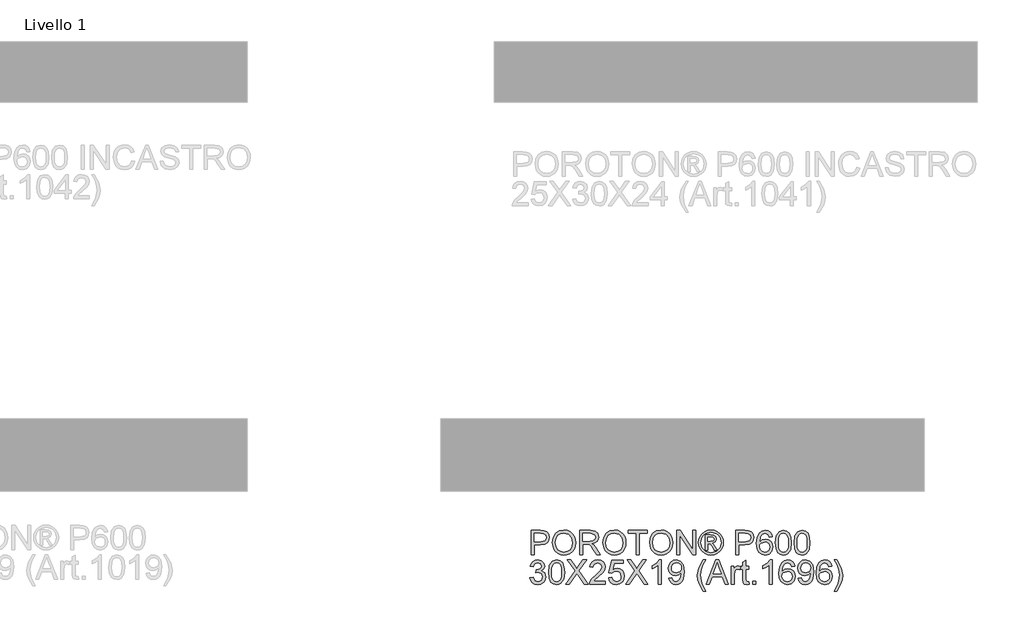
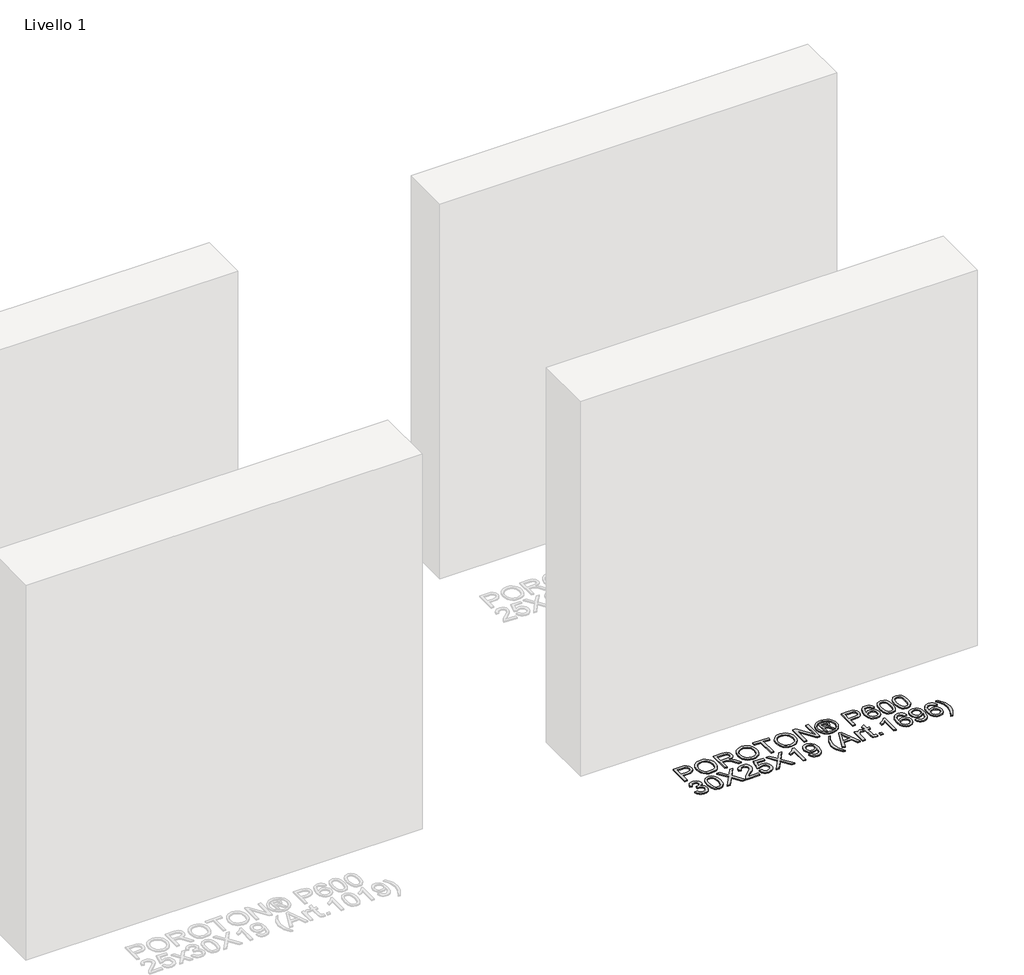
# One storey, part 10 of 11: 1 proxy.
"""IFC4 building model written with IfcOpenShell, lengths in millimetres."""

from ifc_helpers import new_model, si_unit, origin, origin_with_axes, place, context, project, spatial, polyline, outline, extrude, element, save

model = new_model("IFC4")

# Units and contexts
model_context = context("Model", 3, world=origin())
ifc_project = project(units=[si_unit("LENGTHUNIT", "METRE", prefix="MILLI")], contexts=[model_context])

# Site, building, storey
site = spatial("IfcSite", under=ifc_project)
building = spatial("IfcBuilding", under=site)
storey = spatial("IfcBuildingStorey", under=building, Name="Livello 1", Elevation=0.0)

# Proxy
placement = place(None, origin())
element("IfcBuildingElementProxy", 1, Name="100", ObjectType="100", at=placement, inside=storey, context=model_context, shape_type="SweptSolid", body=[
    extrude(outline(polyline([(3869.1844497, 876.8304313), (3869.1844497, 977.2867415), (3906.4141077, 977.2867415), (3921.4236931, 976.3302483), (3933.6251126, 971.6336215), (3941.5345755, 961.9215368), (3944.5266824, 948.2240639), (3942.5063971, 936.384395), (3936.4455412, 926.5190262), (3925.1117101, 919.860362), (3907.272499, 917.6408073), (3881.7414885, 917.6408073), (3881.7414885, 876.8304313), (3869.1844497, 876.8304313)]), holes=[polyline([(3881.7414885, 930.1978461), (3908.008263, 930.1978461), (3926.5004646, 934.8086338), (3930.6023488, 940.3575205), (3931.9696436, 947.7826055), (3928.7445448, 958.1814032), (3920.2709961, 963.8713114), (3907.7139574, 964.7297027), (3881.7414885, 964.7297027), (3881.7414885, 930.1978461)])]), origin_with_axes(), (0.0, 0.0, 1.0), 5.0),
    extrude(outline(polyline([(3957.0837211, 925.7342112), (3960.4314473, 947.9481524), (3970.4746257, 964.7542282), (3985.8091736, 975.3308355), (4005.0310078, 978.8563713), (4018.2073146, 977.2009024), (4030.022458, 972.2344954), (4039.8326446, 964.3066384), (4046.9940807, 953.7668193), (4051.3718765, 941.1239414), (4052.8311417, 926.8869081), (4051.2952344, 912.4598026), (4046.6875124, 899.639115), (4039.2624275, 889.0809018), (4029.2744313, 881.441219), (4017.5604554, 876.8059059), (4004.9574314, 875.2608015), (3991.5787895, 876.9683871), (3979.6962011, 882.0911439), (3969.91054, 890.1661537), (3962.8226802, 900.7304983), (3957.0837211, 925.7342112)]), holes=[polyline([(3969.6407599, 925.6115839), (3972.1515545, 909.8968913), (3979.6839384, 897.9223324), (3991.0055068, 890.3439633), (4004.883855, 887.8178403), (4018.9645384, 890.3684888), (4030.3045009, 898.0204343), (4037.7817024, 910.3628752), (4040.274103, 926.98501), (4036.0066718, 947.7090291), (4023.5354722, 961.4310275), (4005.1045842, 966.2993326), (3991.5971836, 963.9540848), (3980.113134, 956.9183417), (3972.2588534, 944.4011568), (3969.6407599, 925.6115839)])]), origin_with_axes(), (0.0, 0.0, 1.0), 5.0),
    extrude(outline(polyline([(4070.09707, 876.8304313), (4070.09707, 977.2867415), (4113.3845181, 977.2867415), (4133.4831378, 974.5766775), (4144.4705467, 964.9872201), (4148.5785623, 949.7936937), (4146.8771081, 939.897668), (4141.7727454, 931.6938996), (4133.1121901, 925.6790289), (4120.742158, 922.3496969), (4127.8790688, 916.9786197), (4138.0571373, 904.053699), (4154.8080308, 876.8304313), (4140.2153783, 876.8304313), (4127.1433048, 897.6525523), (4117.7010002, 911.4358644), (4111.0668616, 917.9473757), (4105.0949105, 920.3386086), (4097.810847, 920.780067), (4082.6541088, 920.780067), (4082.6541088, 876.8304313), (4070.09707, 876.8304313)]), holes=[polyline([(4082.6541088, 933.3371058), (4110.7602932, 933.3371058), (4125.0954283, 935.1152021), (4133.2378831, 940.8051103), (4136.0215236, 949.3277099), (4130.7117601, 960.3886952), (4113.9240784, 964.7297027), (4082.6541088, 964.7297027), (4082.6541088, 933.3371058)])]), origin_with_axes(), (0.0, 0.0, 1.0), 5.0),
    extrude(outline(polyline([(4165.8444907, 925.7342112), (4169.1922168, 947.9481524), (4179.2353953, 964.7542282), (4194.5699431, 975.3308355), (4213.7917774, 978.8563713), (4226.9680842, 977.2009024), (4238.7832276, 972.2344954), (4248.5934141, 964.3066384), (4255.7548503, 953.7668193), (4260.132646, 941.1239414), (4261.5919113, 926.8869081), (4260.0560039, 912.4598026), (4255.4482819, 899.639115), (4248.023197, 889.0809018), (4238.0352008, 881.441219), (4226.321225, 876.8059059), (4213.718201, 875.2608015), (4200.3395591, 876.9683871), (4188.4569706, 882.0911439), (4178.6713096, 890.1661537), (4171.5834498, 900.7304983), (4165.8444907, 925.7342112)]), holes=[polyline([(4178.4015294, 925.6115839), (4180.912324, 909.8968913), (4188.4447079, 897.9223324), (4199.7662763, 890.3439633), (4213.6446246, 887.8178403), (4227.7253079, 890.3684888), (4239.0652704, 898.0204343), (4246.542472, 910.3628752), (4249.0348725, 926.98501), (4244.7674414, 947.7090291), (4232.2962417, 961.4310275), (4213.8653538, 966.2993326), (4200.3579532, 963.9540848), (4188.8739036, 956.9183417), (4181.019623, 944.4011568), (4178.4015294, 925.6115839)])]), origin_with_axes(), (0.0, 0.0, 1.0), 5.0),
    extrude(outline(polyline([(4303.9719171, 876.8304313), (4303.9719171, 964.7297027), (4271.0096903, 964.7297027), (4271.0096903, 977.2867415), (4349.4911826, 977.2867415), (4349.4911826, 964.7297027), (4316.5289559, 964.7297027), (4316.5289559, 876.8304313), (4303.9719171, 876.8304313)])), origin_with_axes(), (0.0, 0.0, 1.0), 5.0),
    extrude(outline(polyline([(4358.9089617, 925.7342112), (4362.2566879, 947.9481524), (4372.2998663, 964.7542282), (4387.6344142, 975.3308355), (4406.8562484, 978.8563713), (4420.0325552, 977.2009024), (4431.8476986, 972.2344954), (4441.6578852, 964.3066384), (4448.8193213, 953.7668193), (4453.1971171, 941.1239414), (4454.6563823, 926.8869081), (4453.120475, 912.4598026), (4448.512753, 899.639115), (4441.0876681, 889.0809018), (4431.0996719, 881.441219), (4419.385696, 876.8059059), (4406.782672, 875.2608015), (4393.4040301, 876.9683871), (4381.5214417, 882.0911439), (4371.7357806, 890.1661537), (4364.6479208, 900.7304983), (4358.9089617, 925.7342112)]), holes=[polyline([(4371.4660005, 925.6115839), (4373.9767951, 909.8968913), (4381.509179, 897.9223324), (4392.8307474, 890.3439633), (4406.7090956, 887.8178403), (4420.789779, 890.3684888), (4432.1297415, 898.0204343), (4439.606943, 910.3628752), (4442.0993436, 926.98501), (4437.8319124, 947.7090291), (4425.3607128, 961.4310275), (4406.9298248, 966.2993326), (4393.4224242, 963.9540848), (4381.9383746, 956.9183417), (4374.084094, 944.4011568), (4371.4660005, 925.6115839)])]), origin_with_axes(), (0.0, 0.0, 1.0), 5.0),
    extrude(outline(polyline([(4471.9223106, 876.8304313), (4471.9223106, 977.2867415), (4485.3622662, 977.2867415), (4537.8467642, 897.7016032), (4537.8467642, 977.2867415), (4550.4038029, 977.2867415), (4550.4038029, 876.8304313), (4536.9638474, 876.8304313), (4484.4793494, 956.4400951), (4484.4793494, 876.8304313), (4471.9223106, 876.8304313)])), origin_with_axes(), (0.0, 0.0, 1.0), 5.0),
    extrude(outline(polyline([(4613.2135223, 978.8563713), (4626.1077862, 977.1825083), (4638.6954818, 972.160919), (4649.7534014, 964.0245956), (4658.0583375, 953.0065298), (4663.2546706, 940.2839441), (4664.9867817, 927.0340609), (4663.2791961, 913.9006737), (4658.1564393, 901.2823213), (4649.9526708, 890.3041094), (4639.0020501, 882.0911439), (4626.3928947, 876.9683871), (4613.2135223, 875.2608015), (4600.0525439, 876.9683871), (4587.4495199, 882.0911439), (4576.4897021, 890.3041094), (4568.2583424, 901.2823213), (4563.1079945, 913.9006737), (4561.3912119, 927.0340609), (4563.13252, 940.2839441), (4568.3564443, 953.0065298), (4576.6889715, 964.0245956), (4587.7560882, 972.160919), (4600.3376524, 977.1825083), (4613.2135223, 978.8563713)]), holes=[polyline([(4613.2135223, 969.4385923), (4592.3914013, 963.9571505), (4583.362964, 957.2954207), (4576.5356873, 948.2731148), (4570.8089909, 927.0340609), (4576.4253227, 905.9789481), (4592.1461467, 890.2949124), (4613.2135223, 884.6785806), (4634.2931606, 890.2949124), (4649.9771963, 905.9789481), (4655.5690026, 927.0340609), (4649.8790944, 948.2731148), (4643.0702118, 957.2954207), (4634.0233804, 963.9571505), (4613.2135223, 969.4385923)])]), origin_with_axes(), (0.0, 0.0, 1.0), 5.0),
    extrude(outline(polyline([(4589.6445491, 895.6659895), (4589.6445491, 958.4511833), (4609.9271098, 958.4511833), (4624.9857461, 956.722138), (4632.4046997, 950.6888732), (4635.1638146, 941.5286116), (4630.4058742, 929.6092349), (4617.7997845, 923.9193267), (4622.7048777, 920.5838633), (4631.2642655, 908.05135), (4638.3030743, 895.6659895), (4627.7080729, 895.6659895), (4622.1898429, 905.6233288), (4612.9437421, 920.044303), (4604.9239146, 922.3496969), (4599.0623282, 922.3496969), (4599.0623282, 895.6659895), (4589.6445491, 895.6659895)]), holes=[polyline([(4599.0623282, 931.767476), (4610.9817048, 931.767476), (4622.6313013, 934.1587089), (4625.7460356, 940.498542), (4624.2499821, 945.0602787), (4620.0929156, 948.0523856), (4610.2214154, 949.0334043), (4599.0623282, 949.0334043), (4599.0623282, 931.767476)])]), origin_with_axes(), (0.0, 0.0, 1.0), 5.0),
    extrude(outline(polyline([(4715.2149368, 876.8304313), (4715.2149368, 977.2867415), (4752.4445947, 977.2867415), (4767.4541801, 976.3302483), (4779.6555996, 971.6336215), (4787.5650625, 961.9215368), (4790.5571694, 948.2240639), (4788.5368841, 936.384395), (4782.4760282, 926.5190262), (4771.1421971, 919.860362), (4753.302986, 917.6408073), (4727.7719756, 917.6408073), (4727.7719756, 876.8304313), (4715.2149368, 876.8304313)]), holes=[polyline([(4727.7719756, 930.1978461), (4754.03875, 930.1978461), (4772.5309516, 934.8086338), (4776.6328359, 940.3575205), (4778.0001306, 947.7826055), (4774.7750318, 958.1814032), (4766.3014832, 963.8713114), (4753.7444444, 964.7297027), (4727.7719756, 964.7297027), (4727.7719756, 930.1978461)])]), origin_with_axes(), (0.0, 0.0, 1.0), 5.0),
    extrude(outline(polyline([(4867.4690319, 950.6030341), (4854.9119931, 949.0334043), (4850.1540526, 959.5057784), (4837.5724884, 964.7297027), (4826.2417229, 961.6885449), (4817.6700724, 950.2719403), (4814.1016171, 927.8924523), (4825.1748651, 937.9111053), (4838.8968636, 941.185255), (4850.4974091, 938.9473062), (4860.2340193, 932.2334598), (4866.8375011, 921.9756835), (4869.0386617, 909.105945), (4864.8938579, 891.7787031), (4853.489516, 879.5159699), (4837.0329281, 875.2608015), (4822.7866979, 878.0812301), (4811.440604, 886.542516), (4804.0185847, 901.478525), (4801.5445783, 923.723123), (4804.2914305, 948.7329673), (4812.5319872, 965.8333487), (4823.7830449, 974.4233933), (4838.3573033, 977.2867415), (4849.3753691, 975.5147765), (4858.1984056, 970.1988817), (4864.3788231, 961.7559899), (4867.4690319, 950.6030341)]), holes=[polyline([(4814.1016171, 909.3021488), (4817.0078848, 898.4251045), (4824.7334067, 890.5279043), (4836.0519095, 887.8178403), (4844.3384514, 889.2219232), (4850.8530284, 893.4341721), (4855.0744743, 900.056048), (4856.4816229, 908.6890121), (4855.0928684, 916.9755541), (4850.9266048, 923.2939273), (4844.3016632, 927.294644), (4835.5368747, 928.6282163), (4820.3433483, 923.2939273), (4815.6620499, 917.1288382), (4814.1016171, 909.3021488)])]), origin_with_axes(), (0.0, 0.0, 1.0), 5.0),
    extrude(outline(polyline([(4880.0260706, 926.249246), (4883.7171533, 955.1525081), (4894.6800368, 971.8175625), (4912.9882974, 977.2867415), (4927.6545263, 974.0493799), (4937.7835439, 964.71744), (4943.6696558, 949.8550074), (4945.9505242, 926.249246), (4942.2962297, 897.4686113), (4931.3701344, 880.7667687), (4923.1387748, 876.6372933), (4912.9882974, 875.2608015), (4899.9407493, 877.6520345), (4890.0324609, 884.8257334), (4882.5276682, 901.8157502), (4880.0260706, 926.249246)]), holes=[polyline([(4892.5831094, 926.2737715), (4894.0546374, 906.521574), (4898.4692213, 895.089641), (4905.0420463, 889.6357905), (4912.9882974, 887.8178403), (4920.9345485, 889.6419218), (4927.5073735, 895.1141665), (4931.9219574, 906.5522309), (4933.3934854, 926.2737715), (4931.9710083, 945.5814449), (4927.7035772, 957.1022827), (4921.143015, 962.8228477), (4912.8411446, 964.7297027), (4904.9807326, 963.0497083), (4898.665425, 958.0097249), (4894.1036883, 945.7715172), (4892.5831094, 926.2737715)])]), origin_with_axes(), (0.0, 0.0, 1.0), 5.0),
    extrude(outline(polyline([(4956.9379331, 926.249246), (4960.6290158, 955.1525081), (4971.5918992, 971.8175625), (4989.9001598, 977.2867415), (5004.5663887, 974.0493799), (5014.6954063, 964.71744), (5020.5815182, 949.8550074), (5022.8623866, 926.249246), (5019.2080921, 897.4686113), (5008.2819969, 880.7667687), (5000.0506372, 876.6372933), (4989.9001598, 875.2608015), (4976.8526118, 877.6520345), (4966.9443234, 884.8257334), (4959.4395306, 901.8157502), (4956.9379331, 926.249246)]), holes=[polyline([(4969.4949719, 926.2737715), (4970.9664998, 906.521574), (4975.3810838, 895.089641), (4981.9539088, 889.6357905), (4989.9001598, 887.8178403), (4997.8464109, 889.6419218), (5004.4192359, 895.1141665), (5008.8338199, 906.5522309), (5010.3053478, 926.2737715), (5008.8828708, 945.5814449), (5004.6154397, 957.1022827), (4998.0548774, 962.8228477), (4989.7530071, 964.7297027), (4981.8925951, 963.0497083), (4975.5772875, 958.0097249), (4971.0155508, 945.7715172), (4969.4949719, 926.2737715)])]), origin_with_axes(), (0.0, 0.0, 1.0), 5.0),
    extrude(outline(polyline([(3864.4755602, 781.5393209), (3877.032599, 783.1089507), (3883.9610432, 769.8897244), (3896.9227522, 765.8430224), (3905.5311909, 767.2348426), (3912.1775922, 771.4103033), (3917.842975, 785.1936154), (3912.2266432, 798.1798498), (3897.9528218, 803.317935), (3889.1481793, 801.9445089), (3890.5461309, 814.5015476), (3892.5572192, 814.3543948), (3906.8065151, 817.9596384), (3911.5521929, 822.5336379), (3913.1340854, 829.0451492), (3908.5478232, 838.8675985), (3896.7265484, 842.7548849), (3884.7581209, 838.8308103), (3878.6022288, 827.0585864), (3866.0451901, 828.6282163), (3869.7424041, 839.9037994), (3876.3213604, 848.3221657), (3885.3222066, 853.5644842), (3896.2850901, 855.3119236), (3911.4295655, 851.8660956), (3922.024567, 842.4483165), (3925.6911242, 829.7809132), (3922.208508, 818.2048931), (3911.9078121, 809.89076), (3925.5930223, 801.3068468), (3930.4000137, 784.9728862), (3927.996518, 772.7346785), (3920.7860309, 762.507559), (3909.9028552, 755.5913775), (3896.4812938, 753.2859836), (3884.3411879, 755.2541523), (3874.457425, 761.1586583), (3867.5841631, 770.1901613), (3864.4755602, 781.5393209)])), origin_with_axes(), (0.0, 0.0, 1.0), 5.0),
    extrude(outline(polyline([(3941.3874227, 804.2744282), (3945.0785053, 833.1776903), (3956.0413888, 849.8427446), (3974.3496494, 855.3119236), (3989.0158783, 852.0745621), (3999.1448959, 842.7426221), (4005.0310078, 827.8801895), (4007.3118762, 804.2744282), (4003.6575817, 775.4937934), (3992.7314865, 758.7919508), (3984.5001268, 754.6624754), (3974.3496494, 753.2859836), (3961.3021013, 755.6772166), (3951.3938129, 762.8509155), (3943.8890202, 779.8409323), (3941.3874227, 804.2744282)]), holes=[polyline([(3953.9444614, 804.2989536), (3955.4159894, 784.5467562), (3959.8305734, 773.1148232), (3966.4033983, 767.6609726), (3974.3496494, 765.8430224), (3982.2959005, 767.667104), (3988.8687255, 773.1393487), (3993.2833094, 784.577413), (3994.7548374, 804.2989536), (3993.3323604, 823.606627), (3989.0649292, 835.1274648), (3982.504367, 840.8480299), (3974.2024966, 842.7548849), (3966.3420847, 841.0748904), (3960.0267771, 836.0349071), (3955.4650403, 823.7966994), (3953.9444614, 804.2989536)])]), origin_with_axes(), (0.0, 0.0, 1.0), 5.0),
    extrude(outline(polyline([(4012.0207657, 754.8556135), (4050.7464771, 809.5964544), (4018.2992851, 855.3119236), (4033.3579215, 855.3119236), (4051.6293939, 829.5847094), (4057.7852859, 819.5537937), (4064.995773, 829.7563877), (4083.0710417, 855.3119236), (4098.3504073, 855.3119236), (4065.9032153, 809.4493016), (4104.6289267, 754.8556135), (4089.5702903, 754.8556135), (4063.7694997, 791.2514055), (4058.3984226, 798.8052492), (4052.4877852, 790.5156416), (4027.3001313, 754.8556135), (4012.0207657, 754.8556135)])), origin_with_axes(), (0.0, 0.0, 1.0), 5.0),
    extrude(outline(polyline([(4176.8318996, 767.4126523), (4176.8318996, 754.8556135), (4110.907446, 754.8556135), (4112.2563467, 763.5131031), (4119.8837667, 776.8426941), (4135.6045906, 791.3985583), (4157.2851029, 812.3187811), (4162.705231, 826.5435516), (4157.5916712, 838.0582581), (4144.2375548, 842.7548849), (4130.3193527, 838.1686227), (4125.0341147, 825.4889566), (4112.4770759, 827.0585864), (4115.5212994, 839.2048236), (4122.1033214, 848.0769111), (4131.8797854, 853.5031705), (4144.5073349, 855.3119236), (4157.2268549, 853.3008354), (4166.9849248, 847.2675707), (4173.1929335, 838.2544618), (4175.2622697, 827.3038411), (4173.0304523, 815.3967272), (4165.6114987, 803.0849431), (4147.6220692, 785.8803284), (4133.1765695, 773.8015362), (4127.5111868, 767.4126523), (4176.8318996, 767.4126523)])), origin_with_axes(), (0.0, 0.0, 1.0), 5.0),
    extrude(outline(polyline([(4189.3889383, 781.5393209), (4201.9459771, 783.1089507), (4208.2735474, 770.1717672), (4221.3946719, 765.8430224), (4230.3955181, 767.3482729), (4237.1400213, 771.8640244), (4241.3522702, 778.8691107), (4242.7563531, 787.8423657), (4237.4956406, 802.7538493), (4230.8890931, 806.8557335), (4221.5908757, 808.2230283), (4210.5666785, 806.0402618), (4203.515607, 800.374879), (4190.9585682, 801.9445089), (4201.9459771, 853.7422938), (4250.6045023, 853.7422938), (4250.6045023, 841.185255), (4212.0995202, 841.185255), (4206.7284431, 813.520529), (4215.6986324, 818.9651825), (4225.0980173, 820.780067), (4236.8303873, 818.5298555), (4246.5700631, 811.7792209), (4253.1275597, 801.4907877), (4255.3133919, 788.6271806), (4253.3452232, 776.0701419), (4247.4407172, 765.3279876), (4236.1344772, 756.2964846), (4221.345621, 753.2859836), (4209.0123771, 755.2204298), (4199.1868621, 761.0237683), (4192.451556, 770.0215487), (4189.3889383, 781.5393209)])), origin_with_axes(), (0.0, 0.0, 1.0), 5.0),
    extrude(outline(polyline([(4260.0222814, 754.8556135), (4298.7479928, 809.5964544), (4266.3008008, 855.3119236), (4281.3594371, 855.3119236), (4299.6309096, 829.5847094), (4305.7868016, 819.5537937), (4312.9972887, 829.7563877), (4331.0725574, 855.3119236), (4346.351923, 855.3119236), (4313.904731, 809.4493016), (4352.6304423, 754.8556135), (4337.571806, 754.8556135), (4311.7710154, 791.2514055), (4306.3999383, 798.8052492), (4300.4893009, 790.5156416), (4275.301647, 754.8556135), (4260.0222814, 754.8556135)])), origin_with_axes(), (0.0, 0.0, 1.0), 5.0),
    extrude(outline(polyline([(4407.567487, 754.8556135), (4395.0104482, 754.8556135), (4395.0104482, 833.1409021), (4383.115597, 824.6673534), (4369.8963706, 818.3275204), (4369.8963706, 830.1978461), (4388.3027331, 841.9455445), (4399.4740831, 855.3119236), (4407.567487, 855.3119236), (4407.567487, 754.8556135)])), origin_with_axes(), (0.0, 0.0, 1.0), 5.0),
    extrude(outline(polyline([(4438.9600839, 779.969691), (4451.5171226, 781.5393209), (4457.1579799, 769.5586306), (4467.8510832, 765.8430224), (4478.016889, 768.2342554), (4484.9085451, 774.6231394), (4489.0165607, 785.5369719), (4490.8314452, 800.1050989), (4490.7578688, 802.5576455), (4480.7146903, 793.0417646), (4466.943641, 789.3874701), (4455.4933139, 791.6192875), (4445.9621045, 798.3147399), (4439.5333666, 808.6583553), (4437.390454, 821.8346621), (4439.6375999, 835.4462959), (4446.3790374, 846.1148738), (4456.5049894, 853.0126612), (4468.9056783, 855.3119236), (4486.797006, 850.0634738), (4499.1087901, 835.1029394), (4503.3149076, 806.9967549), (4499.1210528, 776.4993375), (4493.9063255, 766.5082757), (4486.6498532, 759.2211465), (4477.6643354, 754.7697744), (4467.262472, 753.2859836), (4456.5264491, 755.0364888), (4447.96093, 760.2880043), (4441.9705849, 768.7094363), (4438.9600839, 779.969691)]), holes=[polyline([(4490.7578688, 822.1289677), (4489.4028368, 830.6393045), (4485.3377407, 837.187604), (4479.0285645, 841.3630647), (4470.941292, 842.7548849), (4462.5535825, 841.2557657), (4455.8336047, 836.7584084), (4451.4190208, 829.8759494), (4449.9474928, 821.2215254), (4451.339313, 813.462281), (4455.5147737, 807.3033233), (4462.0692045, 803.2842125), (4470.5979355, 801.9445089), (4485.0802233, 807.3033233), (4489.3384574, 813.6891416), (4490.7578688, 822.1289677)])]), origin_with_axes(), (0.0, 0.0, 1.0), 5.0),
    extrude(outline(polyline([(4581.7963999, 726.6022763), (4563.9663858, 756.0573613), (4558.5033382, 773.2374505), (4556.6823223, 791.0306764), (4562.1269759, 821.564882), (4581.7963999, 855.3119236), (4591.2141789, 855.3119236), (4579.4664806, 835.4217704), (4572.4031463, 816.1447539), (4569.2393611, 790.9571), (4574.7330656, 758.7674254), (4591.2141789, 726.6022763), (4581.7963999, 726.6022763)])), origin_with_axes(), (0.0, 0.0, 1.0), 5.0),
    extrude(outline(polyline([(4593.6422001, 754.8556135), (4633.7413376, 855.3119236), (4644.4344409, 855.3119236), (4684.5335784, 754.8556135), (4671.2653011, 754.8556135), (4659.7628574, 786.2482104), (4618.3883957, 786.2482104), (4606.9104774, 754.8556135), (4593.6422001, 754.8556135)]), holes=[polyline([(4622.9991833, 798.8052492), (4655.1765952, 798.8052492), (4646.1266981, 823.5023938), (4639.0878892, 842.7548849), (4632.8338953, 825.6606348), (4622.9991833, 798.8052492)])]), origin_with_axes(), (0.0, 0.0, 1.0), 5.0),
    extrude(outline(polyline([(4696.3793786, 754.8556135), (4696.3793786, 828.6282163), (4707.3667876, 828.6282163), (4707.3667876, 817.7143837), (4715.1658859, 827.7698249), (4723.0140351, 830.1978461), (4735.6201248, 826.3228224), (4731.42627, 815.0656334), (4722.5971022, 817.6408073), (4715.4969796, 815.1637352), (4710.9720311, 808.2966047), (4708.9364174, 793.6303758), (4708.9364174, 754.8556135), (4696.3793786, 754.8556135)])), origin_with_axes(), (0.0, 0.0, 1.0), 5.0),
    extrude(outline(polyline([(4770.1519814, 765.3279876), (4771.7216112, 754.4877315), (4762.3283576, 753.2859836), (4751.8069326, 755.3706483), (4746.5584828, 760.8398273), (4745.0379039, 775.0891232), (4745.0379039, 816.0711775), (4735.6201248, 816.0711775), (4735.6201248, 828.6282163), (4745.0379039, 828.6282163), (4745.0379039, 846.5563322), (4757.5949426, 853.9384975), (4757.5949426, 828.6282163), (4770.1519814, 828.6282163), (4770.1519814, 816.0711775), (4757.5949426, 816.0711775), (4757.5949426, 775.4570052), (4758.2571302, 768.9822821), (4760.4031085, 766.689151), (4764.6828024, 765.8430224), (4770.1519814, 765.3279876)])), origin_with_axes(), (0.0, 0.0, 1.0), 5.0),
    extrude(outline(polyline([(4785.8482799, 754.8556135), (4785.8482799, 767.4126523), (4798.4053186, 767.4126523), (4798.4053186, 754.8556135), (4785.8482799, 754.8556135)])), origin_with_axes(), (0.0, 0.0, 1.0), 5.0),
    extrude(outline(polyline([(4865.899402, 754.8556135), (4853.3423632, 754.8556135), (4853.3423632, 833.1409021), (4841.4475121, 824.6673534), (4828.2282857, 818.3275204), (4828.2282857, 830.1978461), (4846.6346482, 841.9455445), (4857.8059981, 855.3119236), (4865.899402, 855.3119236), (4865.899402, 754.8556135)])), origin_with_axes(), (0.0, 0.0, 1.0), 5.0),
    extrude(outline(polyline([(4960.0771928, 828.6282163), (4947.520154, 827.0585864), (4942.7622135, 837.5309605), (4930.1806493, 842.7548849), (4918.8498838, 839.713727), (4910.2782334, 828.2971225), (4906.709778, 805.9176344), (4917.7830261, 815.9362874), (4931.5050245, 819.2104372), (4943.1055701, 816.9724884), (4952.8421802, 810.258642), (4959.445662, 800.0008657), (4961.6468226, 787.1311272), (4957.5020188, 769.8038852), (4946.097677, 757.5411521), (4929.641089, 753.2859836), (4915.3948588, 756.1064123), (4904.0487649, 764.5676982), (4896.6267457, 779.5037072), (4894.1527392, 801.7483051), (4896.8995915, 826.7581494), (4905.1401482, 843.8585309), (4916.3912058, 852.4485754), (4930.9654642, 855.3119236), (4941.98353, 853.5399587), (4950.8065665, 848.2240639), (4956.986984, 839.7811721), (4960.0771928, 828.6282163)]), holes=[polyline([(4906.709778, 787.3273309), (4909.6160458, 776.4502866), (4917.3415677, 768.5530864), (4928.6600704, 765.8430224), (4936.9466123, 767.2471054), (4943.4611893, 771.4593542), (4947.6826352, 778.0812301), (4949.0897839, 786.7141943), (4947.7010293, 795.0007362), (4943.5347657, 801.3191095), (4936.9098241, 805.3198262), (4928.1450356, 806.6533984), (4912.9515092, 801.3191095), (4908.2702108, 795.1540204), (4906.709778, 787.3273309)])]), origin_with_axes(), (0.0, 0.0, 1.0), 5.0),
    extrude(outline(polyline([(4974.2038614, 779.969691), (4986.7609002, 781.5393209), (4992.4017574, 769.5586306), (5003.0948607, 765.8430224), (5013.2606665, 768.2342554), (5020.1523226, 774.6231394), (5024.2603382, 785.5369719), (5026.0752227, 800.1050989), (5026.0016463, 802.5576455), (5015.9584678, 793.0417646), (5002.1874185, 789.3874701), (4990.7370914, 791.6192875), (4981.205882, 798.3147399), (4974.7771442, 808.6583553), (4972.6342315, 821.8346621), (4974.8813774, 835.4462959), (4981.622815, 846.1148738), (4991.7487669, 853.0126612), (5004.1494558, 855.3119236), (5022.0407835, 850.0634738), (5034.3525676, 835.1029394), (5038.5586851, 806.9967549), (5034.3648303, 776.4993375), (5029.1501031, 766.5082757), (5021.8936307, 759.2211465), (5012.908113, 754.7697744), (5002.5062496, 753.2859836), (4991.7702267, 755.0364888), (4983.2047075, 760.2880043), (4977.2143624, 768.7094363), (4974.2038614, 779.969691)]), holes=[polyline([(5026.0016463, 822.1289677), (5024.6466143, 830.6393045), (5020.5815182, 837.187604), (5014.272342, 841.3630647), (5006.1850695, 842.7548849), (4997.79736, 841.2557657), (4991.0773822, 836.7584084), (4986.6627983, 829.8759494), (4985.1912703, 821.2215254), (4986.5830905, 813.462281), (4990.7585512, 807.3033233), (4997.3129821, 803.2842125), (5005.841713, 801.9445089), (5020.3240009, 807.3033233), (5024.5822349, 813.6891416), (5026.0016463, 822.1289677)])]), origin_with_axes(), (0.0, 0.0, 1.0), 5.0),
    extrude(outline(polyline([(5113.9009177, 828.6282163), (5101.3438789, 827.0585864), (5096.5859385, 837.5309605), (5084.0043742, 842.7548849), (5072.6736088, 839.713727), (5064.1019583, 828.2971225), (5060.5335029, 805.9176344), (5071.606751, 815.9362874), (5085.3287494, 819.2104372), (5096.929295, 816.9724884), (5106.6659051, 810.258642), (5113.2693869, 800.0008657), (5115.4705475, 787.1311272), (5111.3257437, 769.8038852), (5099.9214019, 757.5411521), (5083.464814, 753.2859836), (5069.2185837, 756.1064123), (5057.8724898, 764.5676982), (5050.4504706, 779.5037072), (5047.9764642, 801.7483051), (5050.7233164, 826.7581494), (5058.9638731, 843.8585309), (5070.2149308, 852.4485754), (5084.7891891, 855.3119236), (5095.8072549, 853.5399587), (5104.6302914, 848.2240639), (5110.8107089, 839.7811721), (5113.9009177, 828.6282163)]), holes=[polyline([(5060.5335029, 787.3273309), (5063.4397707, 776.4502866), (5071.1652926, 768.5530864), (5082.4837953, 765.8430224), (5090.7703372, 767.2471054), (5097.2849142, 771.4593542), (5101.5063601, 778.0812301), (5102.9135088, 786.7141943), (5101.5247542, 795.0007362), (5097.3584906, 801.3191095), (5090.733549, 805.3198262), (5081.9687605, 806.6533984), (5066.7752341, 801.3191095), (5062.0939357, 795.1540204), (5060.5335029, 787.3273309)])]), origin_with_axes(), (0.0, 0.0, 1.0), 5.0),
    extrude(outline(polyline([(5132.7364758, 726.6022763), (5123.3186968, 726.6022763), (5139.7998102, 758.7674254), (5145.2935146, 790.9571), (5142.1297295, 815.9240247), (5135.1399715, 835.2255667), (5123.3186968, 855.3119236), (5132.7364758, 855.3119236), (5152.4058999, 821.564882), (5157.8505534, 791.0306764), (5156.0203405, 773.2374505), (5150.5297017, 756.0573613), (5132.7364758, 726.6022763)])), origin_with_axes(), (0.0, 0.0, 1.0), 5.0),
])

save(model, "model.ifc")
